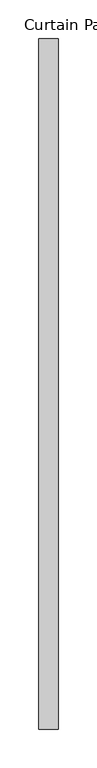
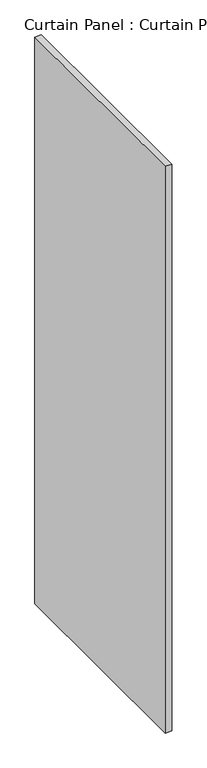
"""IFC4 building model written with IfcOpenShell, lengths in millimetres: plate geometry, Curtain Panel : Curtain Panel."""

from ifc_helpers import new_model, si_unit, frame, origin, place, context, project, spatial, polyline, outline, extrude, source, transform, mapped, element, save


def curtain_panel_curtain_panel_0ac23924(model_context):
    return source(origin(), model_context, "Body", "SweptSolid", [
        extrude(outline(polyline([(-35292.8444373, -111.0103138), (-35292.8444373, -1006.3600874), (-35318.2444373, -1006.3600874), (-35318.2444373, -111.0103138), (-35292.8444373, -111.0103138)])), frame((0.0, 0.0, -622.8319765), z_axis=(0.0, 0.0, 1.0), x_axis=(1.0, 0.0, 0.0)), (0.0, 0.0, 1.0), 2376.6535096),
    ])


if __name__ == "__main__":
    model = new_model("IFC4")
    model_context = context("Model", 3, world=origin())
    ifc_project = project(units=[si_unit("LENGTHUNIT", "METRE", prefix="MILLI")], contexts=[model_context])
    site = spatial("IfcSite", under=ifc_project)
    building = spatial("IfcBuilding", under=site)
    placement = place(None, origin())
    curtain_panel_curtain_panel_shape = curtain_panel_curtain_panel_0ac23924(model_context)
    element("IfcPlate", 1, ObjectType="Curtain Panel : Curtain Panel", at=placement, inside=building, context=model_context, shape_type="MappedRepresentation", body=[
        mapped(curtain_panel_curtain_panel_shape, transform((0.0, 0.0, 0.0), x_axis=(1.0, 0.0, 0.0), y_axis=(0.0, 1.0, 0.0), z_axis=(0.0, 0.0, 1.0))),
    ])
    save(model, "model.ifc")
